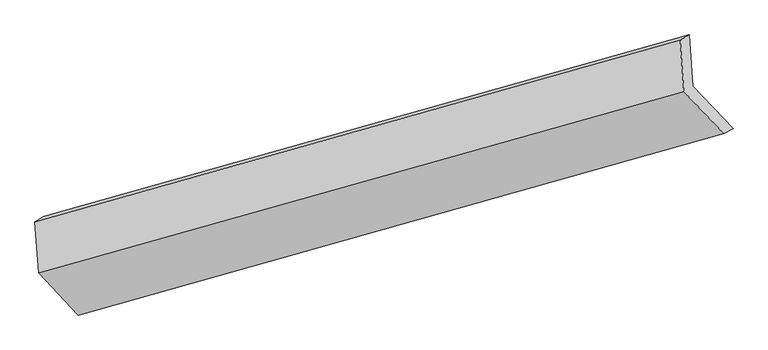
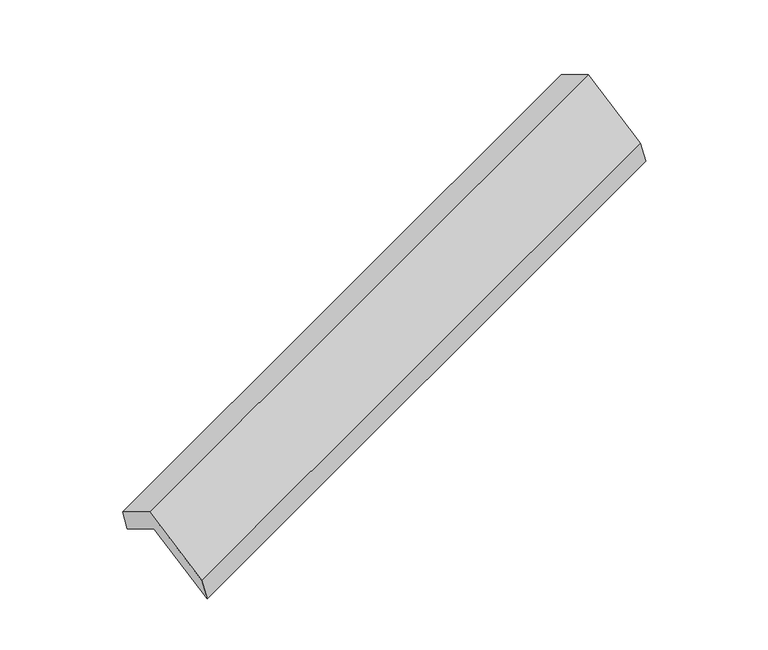
"""IFC4 building model written with IfcOpenShell, lengths in millimetres: proxy geometry."""

from ifc_helpers import new_model, si_unit, origin, place, context, project, spatial, faceted_brep, source, transform, mapped, element, save


def generic_models_e26c05f4(model_context):
    return source(origin(), model_context, "Body", "Brep", [
        faceted_brep([(-5096.4629258, -2121.1977331, 1280.8973242), (-5120.8748394, -1775.1671395, 1079.6612235), (-754.8436558, -545.7284497, 2664.0698971), (-730.4317422, -891.7590432, 2865.3059978), (-5180.6988102, -1812.2031696, 1274.2882839), (-814.6676267, -582.7644797, 2858.6969575), (-5156.2868966, -2158.2337632, 1475.5243846), (-790.255713, -928.7950733, 3059.9330582), (-4886.9100661, -2444.2537177, 951.0277452), (-520.8788825, -1214.8150278, 2535.4364188), (-4822.9755937, -2411.5821517, 748.3972336), (-456.9444101, -1182.1434618, 2332.8059072)], [[[0, 1, 2, 3]], [[1, 4, 5, 2]], [[4, 6, 7, 5]], [[6, 8, 9, 7]], [[8, 10, 11, 9]], [[10, 0, 3, 11]], [[9, 11, 3, 2, 5, 7]], [[0, 10, 8, 6, 4, 1]]]),
    ])


if __name__ == "__main__":
    model = new_model("IFC4")
    model_context = context("Model", 3, world=origin())
    ifc_project = project(units=[si_unit("LENGTHUNIT", "METRE", prefix="MILLI")], contexts=[model_context])
    site = spatial("IfcSite", under=ifc_project)
    building = spatial("IfcBuilding", under=site)
    placement = place(None, origin())
    generic_models_shape = generic_models_e26c05f4(model_context)
    element("IfcBuildingElementProxy", 1, Name="Generic Models", at=placement, inside=building, context=model_context, shape_type="MappedRepresentation", body=[
        mapped(generic_models_shape, transform((0.0, 0.0, 0.0), x_axis=(1.0, 0.0, 0.0), y_axis=(0.0, 1.0, 0.0), z_axis=(0.0, 0.0, 1.0))),
    ])
    save(model, "model.ifc")
